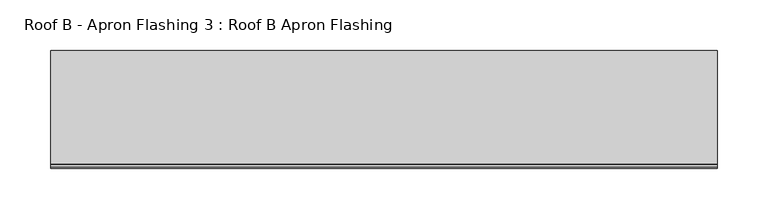
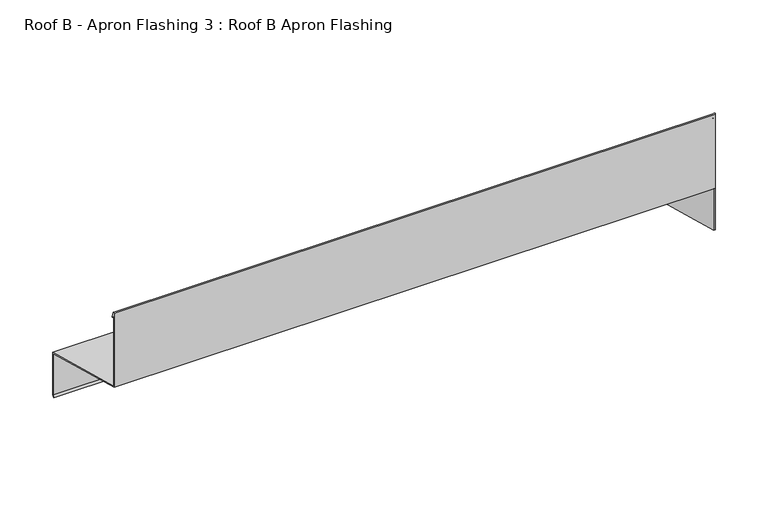
"""IFC4 building model written with IfcOpenShell, lengths in millimetres: proxy geometry, Roof B - Apron Flashing 3 : Roof B Apron Flashing."""

from ifc_helpers import new_model, si_unit, frame, origin, place, context, project, spatial, circle_curve, faceted_brep, source, transform, mapped, element, save
from ifc_brep_helpers import plane_surface, cylinder_surface, advanced_brep


def roof_b_apron_flashing_3_roof_b_apron_flashing_cbe0eabe(model_context):
    return source(origin(), model_context, "Body", "SolidModel", [
        faceted_brep([(13825.4791786, 544.8615096, 2388.2970562), (13825.4791786, 660.7344915, 2357.2489843), (13825.4791786, 660.7344915, 2309.0163113), (13825.4791786, 659.7344915, 2309.2842605), (13825.4791786, 544.8615096, 2340.0643832), (13827.4791786, 660.7344915, 2309.0163113), (13827.4791786, 660.7344915, 2357.2489843), (13827.4791786, 544.8615096, 2388.2970562), (13827.4791786, 544.8615096, 2340.0643832), (13827.4791786, 659.7344915, 2309.2842605)], [[[0, 1, 2, 3, 4]], [[5, 6, 7, 8, 9]], [[2, 5, 9, 8, 4, 3]], [[7, 6, 1, 0]], [[6, 5, 2, 1]], [[0, 4, 8, 7]]]),
        advanced_brep(
        [(13827.4791786, 661.7344915, 2358.0163113), (13827.4791786, 545.8615096, 2389.0643832), (13827.4791786, 545.8615096, 2472.4949569), (13827.4791786, 547.6574236, 2468.0499137), (13827.4791786, 548.5846074, 2468.4245203), (13827.4791786, 546.1701526, 2474.4005058), (13827.4791786, 544.8615096, 2474.1461314), (13827.4791786, 544.8615096, 2388.2970562), (13827.4791786, 660.7344915, 2357.2489843), (13827.4791786, 660.7344915, 2309.2842605), (13827.4791786, 659.7344915, 2307.8561125), (13827.4791786, 659.7344915, 2306.4903695), (13827.4791786, 659.9119543, 2306.3661088), (13827.4791786, 661.7344915, 2308.9689617), (13167.4791786, 661.7344915, 2358.0163113), (13167.4791786, 661.7344915, 2308.9689617), (13167.4791786, 659.9119543, 2306.3661088), (13167.4791786, 659.0928023, 2306.9396852), (13167.4791786, 660.7344915, 2309.2842605), (13167.4791786, 660.7344915, 2357.2489843), (13167.4791786, 544.8615096, 2388.2970562), (13167.4791786, 544.8615096, 2474.1461314), (13167.4791786, 546.1701526, 2474.4005058), (13167.4791786, 548.5846074, 2468.4245203), (13167.4791786, 547.6574236, 2468.0499137), (13167.4791786, 545.8615096, 2472.4949569), (13167.4791786, 545.8615096, 2389.0643832), (13626.4791786, 659.0928023, 2306.9396852), (13626.4791786, 659.7344915, 2307.8561125), (13626.4791786, 659.7344915, 2306.4903695)],
        [
            (0, 1),
            (1, 2),
            (2, 3),
            (3, 4, circle_curve(frame((13827.4791786, 548.1210155, 2468.237217), z_axis=(1.0, 0.0, 0.0), x_axis=(0.0, 0.24192189559966418, 0.9702957262759974)), 0.5)),
            (4, 5),
            (5, 6, circle_curve(frame((13827.4791786, 545.5405538, 2474.1461314), z_axis=(1.0, 0.0, 0.0), x_axis=(0.0, 0.0, 1.0)), 0.6790442)),
            (6, 7),
            (7, 8),
            (8, 9),
            (9, 10),
            (10, 11),
            (11, 12),
            (12, 13),
            (13, 0),
            (14, 15),
            (15, 16),
            (16, 17),
            (17, 18),
            (18, 19),
            (19, 20),
            (20, 21),
            (21, 22, circle_curve(frame((13167.4791786, 545.5405538, 2474.1461314), z_axis=(-1.0, 0.0, 0.0), x_axis=(0.0, 0.0, 1.0)), 0.6790442)),
            (22, 23),
            (23, 24, circle_curve(frame((13167.4791786, 548.1210155, 2468.237217), z_axis=(-1.0, 0.0, 0.0), x_axis=(0.0, 0.24192189559966418, 0.9702957262759974)), 0.5)),
            (24, 25),
            (25, 26),
            (26, 14),
            (0, 14),
            (26, 1),
            (25, 2),
            (24, 3),
            (23, 4),
            (22, 5),
            (21, 6),
            (20, 7),
            (19, 8),
            (18, 9),
            (13, 15),
            (17, 27),
            (27, 28),
            (28, 10),
            (16, 12),
            (11, 29),
            (29, 27),
            (29, 28),
        ],
        [
            plane_surface(frame((13827.4791786, 462.3294164, 2302.2611485), z_axis=(1.0, 0.0, 0.0), x_axis=(0.0, 1.0, 0.0))),
            plane_surface(frame((13167.4791786, 462.3294164, 2302.2611485), z_axis=(-1.0, 0.0, 0.0), x_axis=(0.0, 1.0, 0.0))),
            plane_surface(frame((13827.4791786, 661.7344915, 2358.0163113), z_axis=(0.0, 0.25881904510252063, 0.9659258262890684), x_axis=(-1.0, 0.0, 0.0))),
            plane_surface(frame((13827.4791786, 545.8615096, 2389.0643832), z_axis=(0.0, 1.0, 0.0), x_axis=(-1.0, 0.0, 0.0))),
            plane_surface(frame((13827.4791786, 545.8615096, 2472.4949569), z_axis=(0.0, -0.9271838545667873, -0.3746065934159123), x_axis=(-1.0, 0.0, 0.0))),
            cylinder_surface(frame((13827.4791786, 548.1210155, 2468.237217), z_axis=(1.0, 0.0, 0.0), x_axis=(0.0, 0.24192189559966418, 0.9702957262759974)), 0.5),
            plane_surface(frame((13827.4791786, 548.5846074, 2468.4245203), z_axis=(0.0, 0.9271838545667873, 0.3746065934159123), x_axis=(-1.0, 0.0, 0.0))),
            cylinder_surface(frame((13827.4791786, 545.5405538, 2474.1461314), z_axis=(1.0, 0.0, 0.0), x_axis=(0.0, 0.0, 1.0)), 0.6790442),
            plane_surface(frame((13827.4791786, 544.8615096, 2474.1461314), z_axis=(0.0, -1.0, 0.0), x_axis=(-1.0, 0.0, 0.0))),
            plane_surface(frame((13827.4791786, 544.8615096, 2388.2970562), z_axis=(0.0, -0.2588190451025208, -0.9659258262890683), x_axis=(-1.0, 0.0, 0.0))),
            plane_surface(frame((13827.4791786, 660.7344915, 2357.2489843), z_axis=(0.0, -1.0, 0.0), x_axis=(-1.0, 0.0, 0.0))),
            plane_surface(frame((13827.4791786, 661.7344915, 2308.9689617), z_axis=(0.0, 1.0, 0.0), x_axis=(-1.0, 0.0, 0.0))),
            plane_surface(frame((13827.4791786, 660.7344915, 2309.2842605), z_axis=(0.0, -0.8191520442889942, 0.5735764363510427), x_axis=(-1.0, 0.0, 0.0))),
            plane_surface(frame((13827.4791786, 659.0928023, 2306.9396852), z_axis=(0.0, -0.5735764363510357, -0.8191520442889991), x_axis=(-1.0, 0.0, 0.0))),
            plane_surface(frame((13827.4791786, 659.9119543, 2306.3661088), z_axis=(0.0, 0.8191520442889942, -0.5735764363510427), x_axis=(-1.0, 0.0, 0.0))),
            plane_surface(frame((13626.4791786, 988.9308001, 1996.8831428), z_axis=(1.0, 0.0, 0.0), x_axis=(0.0, -0.9659258262890683, 0.2588190451025206))),
            plane_surface(frame((13626.4791786, 659.7344915, 2312.5169335), z_axis=(0.0, -1.0, 0.0), x_axis=(1.0, 0.0, 0.0))),
        ],
        [
            (0, [[1, 2, 3, 4, 5, 6, 7, 8, 9, 10, 11, 12, 13, 14]]),
            (1, [[15, 16, 17, 18, 19, 20, 21, 22, 23, 24, 25, 26, 27]]),
            (2, [[-1, 28, -27, 29]]),
            (3, [[-2, -29, -26, 30]]),
            (4, [[-3, -30, -25, 31]]),
            (5, [[-4, -31, -24, 32]]),
            (6, [[-5, -32, -23, 33]]),
            (7, [[-6, -33, -22, 34]]),
            (8, [[-7, -34, -21, 35]]),
            (9, [[-8, -35, -20, 36]]),
            (10, [[-9, -36, -19, 37]]),
            (11, [[-14, 38, -15, -28]]),
            (12, [[-18, 39, 40, 41, -10, -37]]),
            (13, [[-17, 42, -12, 43, 44, -39]]),
            (14, [[-13, -42, -16, -38]]),
            (15, [[45, -40, -44]]),
            (16, [[-45, -43, -11, -41]]),
        ],
    ),
    ])


if __name__ == "__main__":
    model = new_model("IFC4")
    model_context = context("Model", 3, world=origin())
    ifc_project = project(units=[si_unit("LENGTHUNIT", "METRE", prefix="MILLI")], contexts=[model_context])
    site = spatial("IfcSite", under=ifc_project)
    building = spatial("IfcBuilding", under=site)
    placement = place(None, origin())
    roof_b_apron_flashing_3_roof_b_apron_flashing_shape = roof_b_apron_flashing_3_roof_b_apron_flashing_cbe0eabe(model_context)
    element("IfcBuildingElementProxy", 1, Name="Roof B - Apron Flashing 3 : Roof B Apron Flashing", ObjectType="Roof B - Apron Flashing 3 : Roof B Apron Flashing", at=placement, inside=building, context=model_context, shape_type="MappedRepresentation", body=[
        mapped(roof_b_apron_flashing_3_roof_b_apron_flashing_shape, transform((0.0, 0.0, 0.0), x_axis=(1.0, 0.0, 0.0), y_axis=(0.0, 1.0, 0.0), z_axis=(0.0, 0.0, 1.0))),
    ])
    save(model, "model.ifc")
